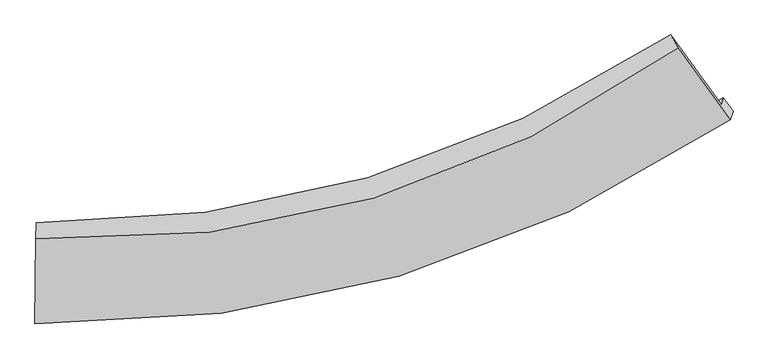
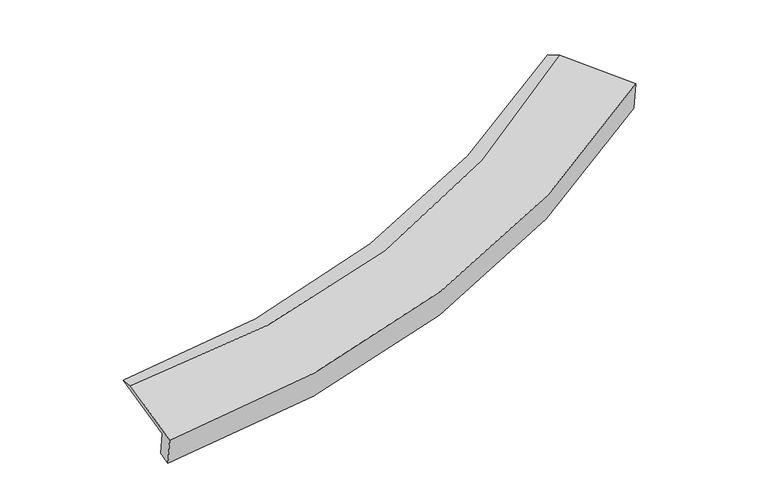
"""IFC4 building model written with IfcOpenShell, lengths in millimetres: proxy geometry."""

import ifcopenshell
import ifcopenshell.guid

model = None  # the IFC model being written
_history = None  # IfcOwnerHistory: only IFC2X3 demands one
_inside = {}  # id of a spatial element -> (the spatial element, [elements in it])
_under = {}  # id of a project, library or spatial element -> (it, [spatial elements below it])
_declared = {}  # id of a project -> (the project, [libraries it declares])
_typed = {}  # id of a type object -> (the type object, [elements of that type])
_made_of = {}  # id of a material, layer set ... -> (it, [elements and type objects made of it])


def new_model(schema):
    """Start an empty IFC model of exactly this schema.

    Asked for "IFC4X3", IfcOpenShell would pick the latest addendum, in which some entities
    have other attributes; the version numbers below select the first issue.
    IFC2X3 requires an IfcOwnerHistory on every rooted entity: one is made here for all.
    """
    global model, _history
    if schema == "IFC4X3":
        model = ifcopenshell.file(schema_version=(4, 3, 0, 0))
    else:
        model = ifcopenshell.file(schema=schema)
    _inside.clear()
    _under.clear()
    _declared.clear()
    _typed.clear()
    _made_of.clear()
    _history = None
    if model.schema == "IFC2X3":
        org = make("IfcOrganization", Name="unknown")
        user = make(
            "IfcPersonAndOrganization",
            ThePerson=make("IfcPerson", FamilyName="unknown"),
            TheOrganization=org,
        )
        app = make(
            "IfcApplication",
            ApplicationDeveloper=org,
            Version="unknown",
            ApplicationFullName="unknown",
            ApplicationIdentifier="unknown",
        )
        _history = make(
            "IfcOwnerHistory",
            OwningUser=user,
            OwningApplication=app,
            ChangeAction="ADDED",
            CreationDate=0,
        )
    return model


def make(cls, **values):
    """One entity of the class cls with the attributes given. An attribute that is None is left unset."""
    return model.create_entity(
        cls, **{name: value for name, value in values.items() if value is not None}
    )


def rooted(cls, **values):
    """An entity with a GlobalId (a new one), such as an element, a storey or a relation."""
    return make(cls, GlobalId=ifcopenshell.guid.new(), OwnerHistory=_history, **values)


def si_unit(unit_type, name, prefix=None):
    """IfcSIUnit, for example si_unit("LENGTHUNIT", "METRE", prefix="MILLI")."""
    return make("IfcSIUnit", UnitType=unit_type, Prefix=prefix, Name=name)


def assignment(units):
    """IfcUnitAssignment: the units of a project."""
    return None if units is None else make("IfcUnitAssignment", Units=units)


def point(xyz):
    """IfcCartesianPoint."""
    return None if xyz is None else make("IfcCartesianPoint", Coordinates=xyz)


def direction(xyz):
    """IfcDirection."""
    return None if xyz is None else make("IfcDirection", DirectionRatios=xyz)


def frame(location, z_axis=None, x_axis=None):
    """IfcAxis2Placement3D, a coordinate frame: its origin and axes. An axis left out is left unset."""
    return make(
        "IfcAxis2Placement3D",
        Location=point(location),
        Axis=direction(z_axis),
        RefDirection=direction(x_axis),
    )


def origin():
    """The frame at (0, 0, 0) with its axes left unset."""
    return frame((0.0, 0.0, 0.0))


def place(relative_to, where):
    """IfcLocalPlacement: puts the frame where relative to a parent placement (None: the world)."""
    return make(
        "IfcLocalPlacement", PlacementRelTo=relative_to, RelativePlacement=where
    )


def context(
    kind, dimensions, precision=None, world=None, true_north=None, identifier=None
):
    """IfcGeometricRepresentationContext, for example the 3D "Model" context."""
    return make(
        "IfcGeometricRepresentationContext",
        ContextIdentifier=identifier,
        ContextType=kind,
        CoordinateSpaceDimension=dimensions,
        Precision=precision,
        WorldCoordinateSystem=world,
        TrueNorth=true_north,
    )


def project(units=None, contexts=None):
    """IfcProject with its units and contexts."""
    return rooted(
        "IfcProject",
        Name="project",
        RepresentationContexts=contexts,
        UnitsInContext=assignment(units),
    )


def spatial(cls, under=None, at=None, **own):
    """A site, building, storey or space (cls), placed at a placement, below another one or the project."""
    s = rooted(cls, ObjectPlacement=at, **own)
    if under is not None:
        _under.setdefault(under.id(), (under, []))[1].append(s)
    return s


def shape(context_of_items, identifier, shape_type, items):
    """IfcShapeRepresentation: the items that make up one representation, for example the "Body"."""
    return make(
        "IfcShapeRepresentation",
        ContextOfItems=context_of_items,
        RepresentationIdentifier=identifier,
        RepresentationType=shape_type,
        Items=items,
    )


def source(mapping_origin, context_of_items, identifier, shape_type, items):
    """IfcRepresentationMap: a shape defined once, which mapped items show again and again."""
    return make(
        "IfcRepresentationMap",
        MappingOrigin=mapping_origin,
        MappedRepresentation=shape(context_of_items, identifier, shape_type, items),
    )


def transform(
    local_origin,
    x_axis=None,
    y_axis=None,
    z_axis=None,
    scale=None,
    scale2=None,
    scale3=None,
    uniform=True,
):
    """IfcCartesianTransformationOperator3D, or its non-uniform kind. x_axis, y_axis, z_axis: its Axis1, 2, 3."""
    if uniform:
        return make(
            "IfcCartesianTransformationOperator3D",
            Axis1=direction(x_axis),
            Axis2=direction(y_axis),
            LocalOrigin=point(local_origin),
            Scale=scale,
            Axis3=direction(z_axis),
        )
    return make(
        "IfcCartesianTransformationOperator3DnonUniform",
        Axis1=direction(x_axis),
        Axis2=direction(y_axis),
        LocalOrigin=point(local_origin),
        Scale=scale,
        Axis3=direction(z_axis),
        Scale2=scale2,
        Scale3=scale3,
    )


def mapped(mapping_source, mapping_target):
    """IfcMappedItem: shows the shape of a source again, moved by a transform."""
    return make(
        "IfcMappedItem", MappingSource=mapping_source, MappingTarget=mapping_target
    )


def made_of(thing, what):
    """Note that an element or type object is made of a material, layer set ...; save() writes the relation."""
    if what is not None:
        _made_of.setdefault(what.id(), (what, []))[1].append(thing)
    return thing


def element(
    cls,
    number,
    at=None,
    inside=None,
    cuts=None,
    type_object=None,
    material=None,
    context=None,
    identifier="Body",
    shape_type=None,
    held_by="IfcProductDefinitionShape",
    body=None,
    shapes=None,
    **own,
):
    """One element of the class cls, such as IfcWall. Its Tag is "e" and its number.

    at: its placement. inside: the storey or other place that contains it. cuts: it is an
    opening in that element (IfcRelVoidsElement). A single representation is given by context,
    identifier, shape_type and body (its items); several are given by shapes. held_by: the class
    of the entity that holds the representations. save() writes the other relations.
    """
    e = rooted(cls, Tag="e%d" % number, ObjectPlacement=at, **own)
    if body is not None:
        shapes = [shape(context, identifier, shape_type, body)]
    if shapes is not None:
        e.Representation = make(held_by, Representations=shapes)
    if inside is not None:
        _inside.setdefault(inside.id(), (inside, []))[1].append(e)
    if cuts is not None:
        rooted(
            "IfcRelVoidsElement", RelatingBuildingElement=cuts, RelatedOpeningElement=e
        )
    if type_object is not None:
        _typed.setdefault(type_object.id(), (type_object, []))[1].append(e)
    return made_of(e, material)


def aggregate(whole, parts):
    """IfcRelAggregates: a whole, such as a stair, and the parts it consists of."""
    return rooted("IfcRelAggregates", RelatingObject=whole, RelatedObjects=parts)


def save(model, path):
    """Write the relations noted so far, then the file.

    IfcRelAggregates (storeys below a building ...), IfcRelContainedInSpatialStructure (elements
    in a storey), IfcRelDefinesByType, IfcRelAssociatesMaterial and IfcRelDeclares: one each for
    every whole, place, type object, material and project.
    """
    for whole, parts in _under.values():
        aggregate(whole, parts)
    for where, things in _inside.values():
        rooted(
            "IfcRelContainedInSpatialStructure",
            RelatedElements=things,
            RelatingStructure=where,
        )
    for kind, things in _typed.values():
        rooted("IfcRelDefinesByType", RelatedObjects=things, RelatingType=kind)
    for what, things in _made_of.values():
        rooted("IfcRelAssociatesMaterial", RelatedObjects=things, RelatingMaterial=what)
    for by, libraries in _declared.values():
        rooted("IfcRelDeclares", RelatingContext=by, RelatedDefinitions=libraries)
    model.write(path)


def plane_surface(at):
    """IfcPlane: the flat surface through the origin of the frame at, square to its z axis."""
    return make("IfcPlane", Position=at)


def spline_curve(degree, points, multiplicities, knots, weights=None):
    """IfcBSplineCurveWithKnots; with weights, IfcRationalBSplineCurveWithKnots."""
    own = dict(
        Degree=degree,
        ControlPointsList=[point(p) for p in points],
        CurveForm="UNSPECIFIED",
        ClosedCurve=False,
        SelfIntersect=False,
        KnotMultiplicities=multiplicities,
        Knots=knots,
        KnotSpec="UNSPECIFIED",
    )
    if weights is None:
        return make("IfcBSplineCurveWithKnots", **own)
    return make("IfcRationalBSplineCurveWithKnots", WeightsData=weights, **own)


def spline_surface(u_degree, v_degree, points, u_multiplicities, v_multiplicities, u_knots, v_knots, weights=None):
    """IfcBSplineSurfaceWithKnots; with weights, IfcRationalBSplineSurfaceWithKnots. points: one row for each step in u."""
    own = dict(
        UDegree=u_degree,
        VDegree=v_degree,
        ControlPointsList=[[point(p) for p in row] for row in points],
        SurfaceForm="UNSPECIFIED",
        UClosed=False,
        VClosed=False,
        SelfIntersect=False,
        UMultiplicities=u_multiplicities,
        VMultiplicities=v_multiplicities,
        UKnots=u_knots,
        VKnots=v_knots,
        KnotSpec="UNSPECIFIED",
    )
    if weights is None:
        return make("IfcBSplineSurfaceWithKnots", **own)
    return make("IfcRationalBSplineSurfaceWithKnots", WeightsData=weights, **own)


def advanced_brep(points, edges, surfaces, faces):
    """IfcAdvancedBrep: a solid bounded by faces that lie on surfaces and meet in shared edges.

    An edge is (start, end): straight between two places in points (the first is 0);
    or (start, end, curve); or (start, end, curve, False) where it runs against its curve.
    A face is (place in surfaces, loops), or (place, loops, False) where it looks against
    its surface's normal. A loop lists edges by number (the first is 1), with a minus sign
    where the edge is run from its end to its start. The first loop is the outer one.
    """
    corners = [point(p) for p in points]
    vertices = [make("IfcVertexPoint", VertexGeometry=c) for c in corners]
    made = []
    for start, end, *more in edges:
        made.append(
            make(
                "IfcEdgeCurve",
                EdgeStart=vertices[start],
                EdgeEnd=vertices[end],
                EdgeGeometry=more[0] if more else make("IfcPolyline", Points=[corners[start], corners[end]]),
                SameSense=more[1] if len(more) > 1 else True,
            )
        )
    hull = []
    for where, loops, *sense in faces:
        bounds = []
        for j, loop in enumerate(loops):
            ring = [make("IfcOrientedEdge", EdgeElement=made[abs(k) - 1], Orientation=k > 0) for k in loop]
            bounds.append(
                make(
                    "IfcFaceOuterBound" if j == 0 else "IfcFaceBound",
                    Bound=make("IfcEdgeLoop", EdgeList=ring),
                    Orientation=True,
                )
            )
        hull.append(make("IfcAdvancedFace", Bounds=bounds, FaceSurface=surfaces[where], SameSense=sense[0] if sense else True))
    return make("IfcAdvancedBrep", Outer=make("IfcClosedShell", CfsFaces=hull))


def generic_models_222f40ce(model_context):
    return source(origin(), model_context, "Body", "AdvancedBrep", [
        advanced_brep(
        [(-6331.2567805, -3452.3236374, 646.537435), (-6374.0429253, -3581.1651809, 1210.7648715), (6363.7176817, 178.1918869, 2999.0015609), (6406.07595, 305.7449699, 2440.4165962), (-6362.9226381, -2019.697865, 1568.1697765), (5426.4035301, 1470.2323626, 3242.6534927), (-6373.6867925, -2318.026904, 1622.3983629), (5567.8054076, 1236.027325, 3321.5993331), (-6384.9564868, -3900.4733844, 1260.1915281), (6534.7126189, -107.9025843, 3102.9336394), (-6333.341455, -3745.0454906, 579.5362079), (6588.2743424, 53.3873648, 2396.6069993)],
        [
            (0, 1),
            (1, 2, spline_curve(3, [(-6374.0429253, -3581.1651809, 1210.7648715), (-4049.139455495, -3603.063672804, 1381.04086289), (-1828.283241479, -3302.778521494, 1614.515976167), (2418.982995137, -2053.827509576, 2209.777281429), (4444.046982779, -1100.993638018, 2572.381064647), (6363.7176817, 178.1918869, 2999.0015609)], [4, 2, 4], [0.0, 22.173950015490256, 44.490868596413776])),
            (2, 3),
            (3, 0, spline_curve(3, [(6406.07595, 305.7449699, 2440.4165962), (4487.017131145, -971.598006245, 2005.727146511), (2462.293985803, -1923.40550122, 1638.62861917), (-1784.833086342, -3171.937450681, 1041.532138246), (-4005.887518049, -3472.819491704, 810.670945844), (-6331.2567805, -3452.3236374, 646.537435)], [4, 2, 4], [0.0, 22.31691858092352, 44.490868596413776])),
            (1, 4),
            (4, 5, spline_curve(3, [(-6362.9226381, -2019.697865, 1568.1697765), (-4211.555491054, -2038.536091001, 1722.73461339), (-2156.275326158, -1759.024060941, 1938.9103166), (1774.743117325, -599.573669258, 2496.274510649), (3649.238341137, 284.224376585, 2838.260046421), (5426.4035301, 1470.2323626, 3242.6534927)], [4, 2, 4], [0.0, 21.35342210205863, 42.84452234098009])),
            (5, 2),
            (4, 6),
            (6, 7, spline_curve(3, [(-6373.6867925, -2318.026904, 1622.3983629), (-4167.63658347, -2407.10807434, 1760.399840652), (-2072.327889733, -2157.520998597, 1970.313806799), (1909.60214565, -977.217522747, 2535.783815368), (3794.790852002, -42.119855868, 2892.270173569), (5567.8054076, 1236.027325, 3321.5993331)], [4, 2, 4], [0.0, 20.70120683327465, 41.535886585971554])),
            (7, 5),
            (6, 8),
            (8, 9, spline_curve(3, [(-6384.9564868, -3900.4733844, 1260.1915281), (-4024.654532829, -3935.311978787, 1434.5155668), (-1770.980428305, -3638.767618736, 1674.534181481), (2536.955358288, -2378.864371626, 2287.931677206), (4589.837622181, -1411.218464956, 2662.160432844), (6534.7126189, -107.9025843, 3102.9336394)], [4, 2, 4], [0.0, 21.682444502974032, 43.50468854475423])),
            (9, 7),
            (8, 10),
            (10, 11, spline_curve(3, [(-6333.341455, -3745.0454906, 579.5362079), (-3972.264144145, -3777.549259904, 743.635497533), (-1718.039932087, -3479.348365841, 976.399759229), (2590.547665623, -2217.482324808, 1581.201721258), (4643.528719584, -1249.538934246, 1954.127722771), (6588.2743424, 53.3873648, 2396.6069993)], [4, 2, 4], [0.0, 22.495180052002294, 45.135399829400875])),
            (11, 9),
            (10, 0),
            (3, 11),
        ],
        [
            spline_surface(3, 3, [[(-6331.2567805, -3452.3236374, 646.537435), (-4005.88751781, -3472.819491349, 810.670945624), (-1784.833086342, -3171.937450472, 1041.532138297), (2462.293985804, -1923.40550143, 1638.628619119), (4487.017131138, -971.598006541, 2005.727146804), (6406.07595, 305.7449699, 2440.4165962)], [(-6345.518828768, -3495.270818571, 834.613247161), (-4020.304830342, -3516.234218442, 1000.794251395), (-1799.31647128, -3215.551140822, 1232.52675099), (2447.856988837, -1966.879504088, 1829.011506535), (4472.693748402, -1014.729883661, 2194.611785985), (6391.956527206, 263.227275571, 2626.611584419)], [(-6359.780877032, -3538.217999729, 1022.689059339), (-4034.722142872, -3559.648945523, 1190.917557184), (-1813.799856264, -3259.164831245, 1423.521363608), (2433.419991825, -2010.353506817, 2019.394393878), (4458.370365747, -1057.861760794, 2383.496425209), (6377.837104494, 220.709581229, 2812.806572681)], [(-6374.0429253, -3581.1651809, 1210.7648715), (-4049.139455404, -3603.063672615, 1381.040862955), (-1828.283241202, -3302.778521595, 1614.515976301), (2418.982994858, -2053.827509475, 2209.777281294), (4444.046983011, -1100.993637913, 2572.38106439), (6363.7176817, 178.1918869, 2999.0015609)]], [4, 4], [4, 2, 4], [0.0, 1.9304028047021404], [0.0, 22.173950015490256, 44.490868596413776]),
            spline_surface(3, 3, [[(-6374.0429253, -3581.1651809, 1210.7648715), (-4049.139455404, -3603.063672615, 1381.040862955), (-1828.283241202, -3302.778521595, 1614.515976301), (2418.982994858, -2053.827509475, 2209.777281294), (4444.046983011, -1100.993637913, 2572.38106439), (6363.7176817, 178.1918869, 2999.0015609)], [(-6370.33616291, -3060.676075579, 1329.899839842), (-4103.27813396, -3081.554478759, 1494.938779736), (-1937.613936139, -2788.193701434, 1722.647423057), (2204.236368922, -1569.076229344, 2305.276357759), (4179.110769158, -639.254299668, 2661.007391631), (6051.279631195, 608.872045475, 3080.218871497)], [(-6366.62940049, -2540.186970321, 1449.034808158), (-4157.416812485, -2560.045284965, 1608.836696491), (-2046.944631011, -2273.608881276, 1830.77886981), (1989.489743051, -1084.324949214, 2400.775434219), (3914.17455522, -177.514961448, 2749.63371888), (5738.841580605, 1039.552204025, 3161.436182103)], [(-6362.9226381, -2019.697865, 1568.1697765), (-4211.555491041, -2038.536091109, 1722.734613272), (-2156.275325949, -1759.024061115, 1938.910316566), (1774.743117115, -599.573669083, 2496.274510683), (3649.238341367, 284.224376797, 2838.260046121), (5426.4035301, 1470.2323626, 3242.6534927)]], [4, 4], [4, 2, 4], [0.0, 5.266406546475853], [0.0, 21.35342210205863, 42.84452234098009]),
            spline_surface(3, 3, [[(-6362.9226381, -2019.697865, 1568.1697765), (-4211.555491041, -2038.536091109, 1722.734613272), (-2156.275325949, -1759.024061115, 1938.910316566), (1774.743117115, -599.573669083, 2496.274510683), (3649.238341367, 284.224376797, 2838.260046121), (5426.4035301, 1470.2323626, 3242.6534927)], [(-6366.510689562, -2119.140878007, 1586.24597196), (-4196.915855263, -2161.39341889, 1735.289689087), (-2128.292847256, -1891.85637352, 1949.378146526), (1819.696126705, -725.454953751, 2509.444279019), (3697.75584491, 175.442965796, 2856.263421866), (5473.537489243, 1392.164016725, 3268.968772825)], [(-6370.098741038, -2218.583890993, 1604.32216744), (-4182.276219499, -2284.250746652, 1747.844764923), (-2100.310368611, -2024.68868589, 1959.845976503), (1864.649136247, -851.336238383, 2522.61404737), (3746.273348525, 66.661554822, 2874.266797637), (5520.671448457, 1314.095670875, 3295.284052975)], [(-6373.6867925, -2318.026904, 1622.3983629), (-4167.636583721, -2407.108074433, 1760.399840739), (-2072.327889918, -2157.520998295, 1970.313806463), (1909.602145836, -977.217523051, 2535.783815706), (3794.790852069, -42.119856178, 2892.270173382), (5567.8054076, 1236.027325, 3321.5993331)]], [4, 4], [4, 2, 4], [0.0, 1.327866880782938], [0.0, 20.70120683327465, 41.535886585971554]),
            spline_surface(3, 3, [[(-6373.6867925, -2318.026904, 1622.3983629), (-4167.636583721, -2407.108074433, 1760.399840739), (-2072.327889918, -2157.520998295, 1970.313806463), (1909.602145836, -977.217523051, 2535.783815706), (3794.790852069, -42.119856178, 2892.270173382), (5567.8054076, 1236.027325, 3321.5993331)], [(-6377.443357263, -2845.509064141, 1501.662751324), (-4119.975900117, -2916.50937583, 1651.771749378), (-1971.878736096, -2651.269871741, 1871.720598102), (2118.719883351, -1444.433139255, 2453.166436218), (4059.806442218, -498.486059102, 2815.566926571), (5890.107811394, 788.050688552, 3248.710768552)], [(-6381.199922037, -3372.991224259, 1380.927139676), (-4072.315216524, -3425.910677205, 1543.143657945), (-1871.429582247, -3145.01874522, 1773.127389773), (2327.837620893, -1911.648755492, 2370.549056762), (4324.822032285, -954.85226198, 2738.863679705), (6212.410215106, 340.074052148, 3175.822203948)], [(-6384.9564868, -3900.4733844, 1260.1915281), (-4024.65453292, -3935.311978602, 1434.515566585), (-1770.980428425, -3638.767618667, 1674.534181412), (2536.955358408, -2378.864371696, 2287.931677275), (4589.837622434, -1411.218464904, 2662.160432893), (6534.7126189, -107.9025843, 3102.9336394)]], [4, 4], [4, 2, 4], [0.0, 5.04804704245232], [0.0, 21.682444502974032, 43.50468854475423]),
            spline_surface(3, 3, [[(-6384.9564868, -3900.4733844, 1260.1915281), (-4024.65453292, -3935.311978602, 1434.515566585), (-1770.980428425, -3638.767618667, 1674.534181412), (2536.955358408, -2378.864371696, 2287.931677275), (4589.837622434, -1411.218464904, 2662.160432893), (6534.7126189, -107.9025843, 3102.9336394)], [(-6367.751476192, -3848.66408648, 1033.306421366), (-4007.191070034, -3882.7244056, 1204.222210134), (-1753.333596347, -3585.627867621, 1441.822707376), (2554.819460884, -2325.070356202, 2052.355025267), (4607.734654784, -1357.325287968, 2426.149529593), (6552.566526708, -54.13926792, 2867.491426036)], [(-6350.546465608, -3796.85478852, 806.421314634), (-3989.727607174, -3830.136832559, 973.928853685), (-1735.686764322, -3532.488116529, 1209.111233307), (2572.683563306, -2271.276340662, 1816.778373224), (4625.631687211, -1303.43211107, 2190.138626286), (6570.420434592, -0.37595158, 2632.049212664)], [(-6333.341455, -3745.0454906, 579.5362079), (-3972.264144288, -3777.549259557, 743.635497234), (-1718.039932245, -3479.348365483, 976.399759271), (2590.547665782, -2217.482325168, 1581.201721216), (4643.528719561, -1249.538934134, 1954.127722986), (6588.2743424, 53.3873648, 2396.6069993)]], [4, 4], [4, 2, 4], [0.0, 2.37043253033219], [0.0, 22.495180052002294, 45.135399829400875]),
            spline_surface(3, 3, [[(-6333.341455, -3745.0454906, 579.5362079), (-3972.264144288, -3777.549259557, 743.635497234), (-1718.039932245, -3479.348365483, 976.399759271), (2590.547665782, -2217.482325168, 1581.201721216), (4643.528719561, -1249.538934134, 1954.127722986), (6588.2743424, 53.3873648, 2396.6069993)], [(-6332.646563506, -3647.471539523, 601.869950247), (-3983.471935468, -3675.972670144, 765.980646678), (-1740.304316962, -3376.878060488, 998.110552259), (2547.796439104, -2119.456717263, 1600.344020496), (4591.358190107, -1156.891958272, 1971.32753093), (6527.541544954, 137.506566498, 2411.210198271)], [(-6331.951671994, -3549.897588477, 624.203692653), (-3994.67972663, -3574.396080762, 788.32579618), (-1762.568701625, -3274.407755468, 1019.821345309), (2505.045212481, -2021.431109335, 1619.486319839), (4539.187660592, -1064.244982403, 1988.52733886), (6466.808747446, 221.625768202, 2425.813397229)], [(-6331.2567805, -3452.3236374, 646.537435), (-4005.88751781, -3472.819491349, 810.670945624), (-1784.833086342, -3171.937450472, 1041.532138297), (2462.293985804, -1923.40550143, 1638.628619119), (4487.017131138, -971.598006541, 2005.727146804), (6406.07595, 305.7449699, 2440.4165962)]], [4, 4], [4, 2, 4], [0.0, 1.0566262792573136], [0.0, 22.334564432788767, 44.813133007117585]),
            plane_surface(frame((6147.8315885, 522.6135541, 2917.2019369), z_axis=(0.8115229314295956, 0.5532906133783616, 0.18788301922023837), x_axis=(0.07372721341198675, 0.22201411271548074, -0.9722520412720466))),
            plane_surface(frame((-6360.0345131, -3169.4554104, 1147.9330303), z_axis=(-0.997254283895818, 0.023199007519425177, -0.07032566602281722), x_axis=(-0.006941992073067302, -0.9747674285722112, -0.22311492316915185))),
        ],
        [
            (0, [[1, 2, 3, 4]]),
            (1, [[5, 6, 7, -2]]),
            (2, [[8, 9, 10, -6]]),
            (3, [[11, 12, 13, -9]]),
            (4, [[14, 15, 16, -12]]),
            (5, [[17, -4, 18, -15]]),
            (6, [[-16, -18, -3, -7, -10, -13]]),
            (7, [[-17, -14, -11, -8, -5, -1]]),
        ],
    ),
    ])


if __name__ == "__main__":
    model = new_model("IFC4")
    model_context = context("Model", 3, world=origin())
    ifc_project = project(units=[si_unit("LENGTHUNIT", "METRE", prefix="MILLI")], contexts=[model_context])
    site = spatial("IfcSite", under=ifc_project)
    building = spatial("IfcBuilding", under=site)
    placement = place(None, origin())
    generic_models_shape = generic_models_222f40ce(model_context)
    element("IfcBuildingElementProxy", 1, Name="Generic Models", at=placement, inside=building, context=model_context, shape_type="MappedRepresentation", body=[
        mapped(generic_models_shape, transform((0.0, 0.0, 0.0), x_axis=(1.0, 0.0, 0.0), y_axis=(0.0, 1.0, 0.0), z_axis=(0.0, 0.0, 1.0))),
    ])
    save(model, "model.ifc")
